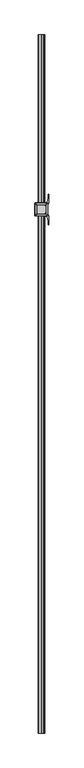
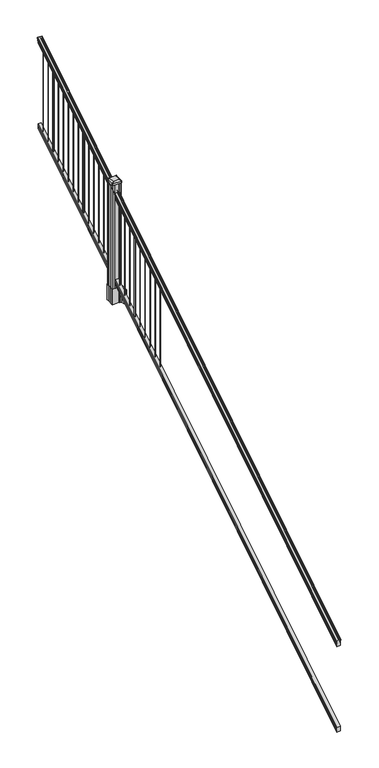
"""IFC4 building model written with IfcOpenShell, lengths in millimetres: railing geometry."""

from ifc_helpers import new_model, si_unit, point, frame, frame_2d, origin, place, context, project, spatial, polyline, circle_curve, ellipse_curve, trimmed, segment, composite_curve, outline, extrude, faceted_brep, source, transform, mapped, element, save
from ifc_brep_helpers import plane_surface, cylinder_surface, revolved_surface, extruded_surface, advanced_brep


def railing_202ae89b(model_context):
    return source(origin(), model_context, "Body", "SolidModel", [
        advanced_brep(
        [(5923.032944, -87458.4628453, 1133.2070492), (5925.6067728, -87458.4628453, 1133.2070492), (5925.6067728, -87458.4628453, 1120.6394336), (5924.5907728, -87458.4628453, 1119.441318), (5924.5907728, -87458.4628453, 1104.9), (5956.3407728, -87458.4628453, 1104.9), (5956.3407728, -87458.4628453, 1119.6274214), (5955.3247728, -87458.4628453, 1120.825537), (5955.3247728, -87458.4628453, 1133.2070492), (5957.8986015, -87458.4628453, 1133.2070492), (5957.8986015, -87458.4628453, 1135.4335658), (5959.0287878, -87458.4628453, 1137.2758543), (5959.0287878, -87458.4628453, 1145.7876358), (5958.3795314, -87458.4628453, 1148.6572588), (5960.8795314, -87458.4628453, 1153.7635509), (5962.2888739, -87458.4628453, 1155.7442021), (5962.6907729, -87458.4628453, 1157.0469579), (5962.6907728, -87458.4628453, 1158.6274846), (5961.1373255, -87458.4628453, 1160.4593836), (5940.4657728, -87458.4628453, 1160.4593836), (5919.79422, -87458.4628453, 1160.4593836), (5918.2407728, -87458.4628453, 1158.6274846), (5918.2407728, -87458.4628453, 1157.0469579), (5918.6426717, -87458.4628453, 1155.7442021), (5920.0520141, -87458.4628453, 1153.7635509), (5922.5520141, -87458.4628453, 1148.6572588), (5921.9027577, -87458.4628453, 1145.7876358), (5921.9027577, -87458.4628453, 1137.2758543), (5923.032944, -87458.4628453, 1135.4335658), (5923.032944, -82581.6628453, 4181.2070492), (5923.032944, -82581.6628453, 4183.4335658), (5921.9027577, -82581.6628453, 4185.2758543), (5921.9027577, -82581.6628453, 4193.7876358), (5922.5520141, -82581.6628453, 4196.6572588), (5920.0520141, -82581.6628453, 4201.7635509), (5918.6426717, -82581.6628453, 4203.7442021), (5918.2407727, -82581.6628453, 4205.0469579), (5918.2407728, -82581.6628453, 4206.6274846), (5919.79422, -82581.6628453, 4208.4593836), (5940.4657728, -82581.6628453, 4208.4593836), (5961.1373255, -82581.6628453, 4208.4593836), (5962.6907728, -82581.6628453, 4206.6274846), (5962.6907728, -82581.6628453, 4205.0469579), (5962.2888739, -82581.6628453, 4203.7442021), (5960.8795314, -82581.6628453, 4201.7635509), (5958.3795314, -82581.6628453, 4196.6572588), (5959.0287878, -82581.6628453, 4193.7876358), (5959.0287878, -82581.6628453, 4185.2758543), (5957.8986015, -82581.6628453, 4183.4335658), (5957.8986015, -82581.6628453, 4181.2070492), (5955.3247728, -82581.6628453, 4181.2070492), (5955.3247728, -82581.6628453, 4168.825537), (5956.3407728, -82581.6628453, 4167.6274214), (5956.3407728, -82581.6628453, 4152.9), (5924.5907728, -82581.6628453, 4152.9), (5924.5907728, -82581.6628453, 4167.441318), (5925.6067728, -82581.6628453, 4168.6394336), (5925.6067728, -82581.6628453, 4181.2070492)],
        [
            (0, 1, ellipse_curve(frame((5924.3198584, -87458.4628453, 1133.2070492), z_axis=(0.0, -1.0, 0.0), x_axis=(0.0, 0.0, -1.0)), 1.5175907, 1.2869144)),
            (1, 2),
            (2, 3),
            (3, 4),
            (4, 5),
            (5, 6),
            (6, 7),
            (7, 8),
            (8, 9, ellipse_curve(frame((5956.6116871, -87458.4628453, 1133.2070492), z_axis=(0.0, -1.0, 0.0), x_axis=(0.0, 0.0, -1.0)), 1.5175907, 1.2869144)),
            (9, 10),
            (10, 11, ellipse_curve(frame((5951.5838482, -87458.4628453, 1142.2239405), z_axis=(0.0, -1.0, 0.0), x_axis=(0.0, 0.0, -1.0)), 10.0777926, 8.545951)),
            (11, 12, ellipse_curve(frame((5952.0209112, -87458.4628453, 1141.5317451), z_axis=(0.0, -1.0, 0.0), x_axis=(0.0, 0.0, -1.0)), 9.2955186, 7.882584)),
            (12, 13, ellipse_curve(frame((5962.5342353, -87458.4628453, 1148.4275077), z_axis=(0.0, 1.0, 0.0), x_axis=(0.0, 0.0, 1.0)), 4.9048088, 4.1592695)),
            (13, 14, ellipse_curve(frame((5963.8215419, -87458.4628453, 1148.3563208), z_axis=(0.0, 1.0, 0.0), x_axis=(0.0, 0.0, 1.0)), 6.4245301, 5.4479907)),
            (14, 15, ellipse_curve(frame((5962.5883834, -87458.4628453, 1153.7602333), z_axis=(0.0, 1.0, 0.0), x_axis=(0.0, 0.0, 1.0)), 2.0151625, 1.7088543)),
            (15, 16, ellipse_curve(frame((5960.9714833, -87458.4628453, 1157.0469579), z_axis=(0.0, -1.0, 0.0), x_axis=(0.0, 0.0, -1.0)), 2.0274681, 1.7192895)),
            (16, 17),
            (17, 18, ellipse_curve(frame((5961.1373255, -87458.4628453, 1158.6274846), z_axis=(0.0, -1.0, 0.0), x_axis=(0.0, 0.0, -1.0)), 1.831899, 1.5534472)),
            (18, 19),
            (19, 20),
            (20, 21, ellipse_curve(frame((5919.79422, -87458.4628453, 1158.6274846), z_axis=(0.0, -1.0, 0.0), x_axis=(0.0, 0.0, -1.0)), 1.831899, 1.5534472)),
            (21, 22),
            (22, 23, ellipse_curve(frame((5919.9600622, -87458.4628453, 1157.0469579), z_axis=(0.0, -1.0, 0.0), x_axis=(0.0, 0.0, -1.0)), 2.0274681, 1.7192895)),
            (23, 24, ellipse_curve(frame((5918.3431621, -87458.4628453, 1153.7602333), z_axis=(0.0, 1.0, 0.0), x_axis=(0.0, 0.0, 1.0)), 2.0151625, 1.7088543)),
            (24, 25, ellipse_curve(frame((5917.1100037, -87458.4628453, 1148.3563208), z_axis=(0.0, 1.0, 0.0), x_axis=(0.0, 0.0, 1.0)), 6.4245301, 5.4479907)),
            (25, 26, ellipse_curve(frame((5918.3973102, -87458.4628453, 1148.4275077), z_axis=(0.0, 1.0, 0.0), x_axis=(0.0, 0.0, 1.0)), 4.9048088, 4.1592695)),
            (26, 27, ellipse_curve(frame((5928.9106343, -87458.4628453, 1141.5317451), z_axis=(0.0, -1.0, 0.0), x_axis=(0.0, 0.0, -1.0)), 9.2955186, 7.882584)),
            (27, 28, ellipse_curve(frame((5929.3476973, -87458.4628453, 1142.2239405), z_axis=(0.0, -1.0, 0.0), x_axis=(0.0, 0.0, -1.0)), 10.0777926, 8.545951)),
            (28, 0),
            (29, 30),
            (30, 31, ellipse_curve(frame((5929.3476973, -82581.6628453, 4190.2239405), z_axis=(0.0, 1.0, 0.0), x_axis=(0.0, 0.0, -1.0)), 10.0777926, 8.545951)),
            (31, 32, ellipse_curve(frame((5928.9106343, -82581.6628453, 4189.5317451), z_axis=(0.0, 1.0, 0.0), x_axis=(0.0, 0.0, -1.0)), 9.2955186, 7.882584)),
            (32, 33, ellipse_curve(frame((5918.3973102, -82581.6628453, 4196.4275077), z_axis=(0.0, -1.0, 0.0), x_axis=(0.0, 0.0, 1.0)), 4.9048088, 4.1592695)),
            (33, 34, ellipse_curve(frame((5917.1100037, -82581.6628453, 4196.3563208), z_axis=(0.0, -1.0, 0.0), x_axis=(0.0, 0.0, 1.0)), 6.4245301, 5.4479907)),
            (34, 35, ellipse_curve(frame((5918.3431621, -82581.6628453, 4201.7602333), z_axis=(0.0, -1.0, 0.0), x_axis=(0.0, 0.0, 1.0)), 2.0151625, 1.7088543)),
            (35, 36, ellipse_curve(frame((5919.9600622, -82581.6628453, 4205.0469579), z_axis=(0.0, 1.0, 0.0), x_axis=(0.0, 0.0, -1.0)), 2.0274681, 1.7192895)),
            (36, 37),
            (37, 38, ellipse_curve(frame((5919.79422, -82581.6628453, 4206.6274846), z_axis=(0.0, 1.0, 0.0), x_axis=(0.0, 0.0, -1.0)), 1.831899, 1.5534472)),
            (38, 39),
            (39, 40),
            (40, 41, ellipse_curve(frame((5961.1373255, -82581.6628453, 4206.6274846), z_axis=(0.0, 1.0, 0.0), x_axis=(0.0, 0.0, -1.0)), 1.831899, 1.5534472)),
            (41, 42),
            (42, 43, ellipse_curve(frame((5960.9714833, -82581.6628453, 4205.0469579), z_axis=(0.0, 1.0, 0.0), x_axis=(0.0, 0.0, -1.0)), 2.0274681, 1.7192895)),
            (43, 44, ellipse_curve(frame((5962.5883834, -82581.6628453, 4201.7602333), z_axis=(0.0, -1.0, 0.0), x_axis=(0.0, 0.0, 1.0)), 2.0151625, 1.7088543)),
            (44, 45, ellipse_curve(frame((5963.8215419, -82581.6628453, 4196.3563208), z_axis=(0.0, -1.0, 0.0), x_axis=(0.0, 0.0, 1.0)), 6.4245301, 5.4479907)),
            (45, 46, ellipse_curve(frame((5962.5342353, -82581.6628453, 4196.4275077), z_axis=(0.0, -1.0, 0.0), x_axis=(0.0, 0.0, 1.0)), 4.9048088, 4.1592695)),
            (46, 47, ellipse_curve(frame((5952.0209112, -82581.6628453, 4189.5317451), z_axis=(0.0, 1.0, 0.0), x_axis=(0.0, 0.0, -1.0)), 9.2955186, 7.882584)),
            (47, 48, ellipse_curve(frame((5951.5838482, -82581.6628453, 4190.2239405), z_axis=(0.0, 1.0, 0.0), x_axis=(0.0, 0.0, -1.0)), 10.0777926, 8.545951)),
            (48, 49),
            (49, 50, ellipse_curve(frame((5956.6116871, -82581.6628453, 4181.2070492), z_axis=(0.0, 1.0, 0.0), x_axis=(0.0, 0.0, -1.0)), 1.5175907, 1.2869144)),
            (50, 51),
            (51, 52),
            (52, 53),
            (53, 54),
            (54, 55),
            (55, 56),
            (56, 57),
            (57, 29, ellipse_curve(frame((5924.3198584, -82581.6628453, 4181.2070492), z_axis=(0.0, 1.0, 0.0), x_axis=(0.0, 0.0, -1.0)), 1.5175907, 1.2869144)),
            (28, 30),
            (29, 0),
            (27, 31),
            (26, 32),
            (25, 33),
            (24, 34),
            (23, 35),
            (22, 36),
            (21, 37),
            (20, 38),
            (19, 39),
            (18, 40),
            (17, 41),
            (16, 42),
            (15, 43),
            (14, 44),
            (13, 45),
            (12, 46),
            (11, 47),
            (10, 48),
            (9, 49),
            (8, 50),
            (7, 51),
            (6, 52),
            (5, 53),
            (4, 54),
            (3, 55),
            (2, 56),
            (1, 57),
        ],
        [
            plane_surface(frame((5940.4657728, -87458.4628453, 1104.9), z_axis=(0.0, -1.0, 0.0), x_axis=(0.0, 0.0, 1.0))),
            plane_surface(frame((5940.4657728, -82581.6628453, 4152.9), z_axis=(0.0, 1.0, 0.0), x_axis=(0.0, 0.0, 1.0))),
            plane_surface(frame((5923.032944, -87458.4628453, 1135.4335658), z_axis=(-1.0, 0.0, 0.0), x_axis=(0.0, 0.8479983040051252, 0.5299989400031204))),
            cylinder_surface(frame((5929.3476973, -87475.23765, 1131.7396876), z_axis=(0.0, -0.8479983040051253, -0.5299989400031204), x_axis=(1.0, 0.0, 0.0)), 8.545951),
            cylinder_surface(frame((5928.9106343, -87474.9265509, 1131.241929), z_axis=(0.0, -0.8479983040051253, -0.5299989400031204), x_axis=(1.0, 0.0, 0.0)), 7.882584),
            revolved_surface(polyline([(5922.5565797, -82579.45843685034, 4197.805262980552), (5922.5565797, -87460.66725374945, 1147.0497524190953)]), (5918.3973102, -87478.0257701, 1136.2006797), (0.0, 0.8479983040051253, 0.5299989400031204)),
            revolved_surface(polyline([(5922.5579944, -82578.77541603574, 4198.160964077185), (5922.5579944, -87461.35027455281, 1146.551677504493)]), (5917.1100037, -87477.993776, 1136.1494891), (0.0, 0.8479983040051253, 0.5299989400031204)),
            revolved_surface(polyline([(5920.0520164, -82580.75715429979, 4202.326290199658), (5920.0520164, -87459.36853632248, 1153.1941764359544)]), (5918.3431621, -87480.4225007, 1140.0354487), (0.0, 0.8479983040051253, 0.5299989400031204)),
            cylinder_surface(frame((5919.9600622, -87481.8996803, 1142.398936), z_axis=(0.0, -0.8479983040051253, -0.5299989400031204), x_axis=(1.0, 0.0, 0.0)), 1.7192895),
            plane_surface(frame((5918.2407728, -87458.4628453, 1158.6274846), z_axis=(-1.0, 0.0, 0.0), x_axis=(0.0, 0.8479983040051252, 0.5299989400031204))),
            cylinder_surface(frame((5919.79422, -87482.6100294, 1143.5354945), z_axis=(0.0, -0.8479983040051253, -0.5299989400031204), x_axis=(1.0, 0.0, 0.0)), 1.5534472),
            plane_surface(frame((5940.4657728, -87458.4628453, 1160.4593836), z_axis=(0.0, -0.5299989400031204, 0.8479983040051252), x_axis=(0.0, 0.8479983040051252, 0.5299989400031204))),
            plane_surface(frame((5961.1373255, -87458.4628453, 1160.4593836), z_axis=(0.0, -0.5299989400031204, 0.8479983040051252), x_axis=(0.0, 0.8479983040051252, 0.5299989400031204))),
            cylinder_surface(frame((5961.1373255, -87482.6100294, 1143.5354945), z_axis=(0.0, -0.8479983040051253, -0.5299989400031204), x_axis=(-1.0, 0.0, 0.0)), 1.5534472),
            plane_surface(frame((5962.6907728, -87458.4628453, 1157.0469579), z_axis=(1.0, 0.0, 0.0), x_axis=(0.0, 0.8479983040051252, 0.5299989400031204))),
            cylinder_surface(frame((5960.9714833, -87481.8996803, 1142.398936), z_axis=(0.0, -0.8479983040051253, -0.5299989400031204), x_axis=(-1.0, 0.0, 0.0)), 1.7192895),
            revolved_surface(polyline([(5960.8795291, -82580.75715429979, 4202.326290199658), (5960.8795291, -87459.36853632248, 1153.1941764359544)]), (5962.5883834, -87480.4225007, 1140.0354487), (0.0, 0.8479983040051253, 0.5299989400031204)),
            revolved_surface(polyline([(5958.373551199999, -82578.77541603574, 4198.160964077185), (5958.373551199999, -87461.35027455281, 1146.551677504493)]), (5963.8215419, -87477.993776, 1136.1494891), (0.0, 0.8479983040051253, 0.5299989400031204)),
            revolved_surface(polyline([(5958.3749658, -82579.45843685034, 4197.805262980552), (5958.3749658, -87460.66725374945, 1147.0497524190953)]), (5962.5342353, -87478.0257701, 1136.2006797), (0.0, 0.8479983040051253, 0.5299989400031204)),
            cylinder_surface(frame((5952.0209112, -87474.9265509, 1131.241929), z_axis=(0.0, -0.8479983040051253, -0.5299989400031204), x_axis=(-1.0, 0.0, 0.0)), 7.882584),
            cylinder_surface(frame((5951.5838482, -87475.23765, 1131.7396876), z_axis=(0.0, -0.8479983040051253, -0.5299989400031204), x_axis=(-1.0, 0.0, 0.0)), 8.545951),
            plane_surface(frame((5957.8986015, -87458.4628453, 1133.2070492), z_axis=(1.0, 0.0, 0.0), x_axis=(0.0, 0.8479983040051252, 0.5299989400031204))),
            cylinder_surface(frame((5956.6116871, -87471.1851146, 1125.2556309), z_axis=(0.0, -0.8479983040051253, -0.5299989400031204), x_axis=(-1.0, 0.0, 0.0)), 1.2869144),
            plane_surface(frame((5955.3247728, -87458.4628453, 1120.825537), z_axis=(1.0, 0.0, 0.0), x_axis=(0.0, 0.8479983040051252, 0.5299989400031204))),
            plane_surface(frame((5956.3407728, -87458.4628453, 1119.6274214), z_axis=(0.7071067811865425, -0.37476584449789213, 0.5996253511967194), x_axis=(0.0, 0.8479983040051252, 0.5299989400031204))),
            plane_surface(frame((5956.3407728, -87458.4628453, 1104.9), z_axis=(1.0, 0.0, 0.0), x_axis=(0.0, 0.8479983040051252, 0.5299989400031204))),
            plane_surface(frame((5924.5907728, -87458.4628453, 1104.9), z_axis=(0.0, 0.5299989400031204, -0.8479983040051252), x_axis=(0.0, 0.8479983040051252, 0.5299989400031204))),
            plane_surface(frame((5924.5907728, -87458.4628453, 1119.441318), z_axis=(-1.0000000000000002, 0.0, 0.0), x_axis=(0.0, 0.8479983040051253, 0.5299989400031204))),
            plane_surface(frame((5925.6067728, -87458.4628453, 1120.6394336), z_axis=(-0.7071067811865401, -0.3747658444978918, 0.5996253511967223), x_axis=(0.0, 0.8479983040051253, 0.5299989400031204))),
            plane_surface(frame((5925.6067728, -87458.4628453, 1133.2070492), z_axis=(-1.0, 0.0, 0.0), x_axis=(0.0, 0.8479983040051252, 0.5299989400031204))),
            cylinder_surface(frame((5924.3198584, -87471.1851146, 1125.2556309), z_axis=(0.0, -0.8479983040051253, -0.5299989400031204), x_axis=(1.0, 0.0, 0.0)), 1.2869144),
        ],
        [
            (0, [[1, 2, 3, 4, 5, 6, 7, 8, 9, 10, 11, 12, 13, 14, 15, 16, 17, 18, 19, 20, 21, 22, 23, 24, 25, 26, 27, 28, 29]]),
            (1, [[30, 31, 32, 33, 34, 35, 36, 37, 38, 39, 40, 41, 42, 43, 44, 45, 46, 47, 48, 49, 50, 51, 52, 53, 54, 55, 56, 57, 58]]),
            (2, [[-29, 59, -30, 60]]),
            (3, [[-28, 61, -31, -59]]),
            (4, [[-27, 62, -32, -61]]),
            (5, [[-26, 63, -33, -62]]),
            (6, [[-25, 64, -34, -63]]),
            (7, [[-24, 65, -35, -64]]),
            (8, [[-23, 66, -36, -65]]),
            (9, [[-22, 67, -37, -66]]),
            (10, [[-21, 68, -38, -67]]),
            (11, [[-20, 69, -39, -68]]),
            (12, [[-19, 70, -40, -69]]),
            (13, [[-18, 71, -41, -70]]),
            (14, [[-17, 72, -42, -71]]),
            (15, [[-16, 73, -43, -72]]),
            (16, [[-15, 74, -44, -73]]),
            (17, [[-14, 75, -45, -74]]),
            (18, [[-13, 76, -46, -75]]),
            (19, [[-12, 77, -47, -76]]),
            (20, [[-11, 78, -48, -77]]),
            (21, [[-10, 79, -49, -78]]),
            (22, [[-9, 80, -50, -79]]),
            (23, [[-8, 81, -51, -80]]),
            (24, [[-7, 82, -52, -81]]),
            (25, [[-6, 83, -53, -82]]),
            (26, [[-5, 84, -54, -83]]),
            (27, [[-4, 85, -55, -84]]),
            (28, [[-3, 86, -56, -85]]),
            (29, [[-2, 87, -57, -86]]),
            (30, [[-1, -60, -58, -87]]),
        ],
    ),
        faceted_brep([(5924.5532859, -87458.4628453, 268.8045079), (5924.5532859, -87458.4628453, 254.0), (5956.3032859, -87458.4628453, 254.0), (5956.3032859, -87458.4628453, 268.7848772), (5955.2872859, -87458.4628453, 270.3748303), (5955.2872859, -87458.4628453, 282.5348741), (5956.3032859, -87458.4628453, 284.1248272), (5956.3032859, -87458.4628453, 298.9244744), (5924.5532859, -87458.4628453, 298.9244744), (5924.5532859, -87458.4628453, 284.1444579), (5925.5692859, -87458.4628453, 282.5545048), (5925.5692859, -87458.4628453, 270.338026), (5924.5532859, -82581.6628453, 3316.8045079), (5925.5692859, -82581.6628453, 3318.338026), (5925.5692859, -82581.6628453, 3330.5545048), (5924.5532859, -82581.6628453, 3332.1444579), (5924.5532859, -82581.6628453, 3346.9244744), (5956.3032859, -82581.6628453, 3346.9244744), (5956.3032859, -82581.6628453, 3332.1248272), (5955.2872859, -82581.6628453, 3330.5348741), (5955.2872859, -82581.6628453, 3318.3748303), (5956.3032859, -82581.6628453, 3316.7848772), (5956.3032859, -82581.6628453, 3302.0), (5924.5532859, -82581.6628453, 3302.0)], [[[0, 1, 2, 3, 4, 5, 6, 7, 8, 9, 10, 11]], [[12, 13, 14, 15, 16, 17, 18, 19, 20, 21, 22, 23]], [[0, 11, 13, 12]], [[11, 10, 14, 13]], [[10, 9, 15, 14]], [[9, 8, 16, 15]], [[8, 7, 17, 16]], [[7, 6, 18, 17]], [[6, 5, 19, 18]], [[5, 4, 20, 19]], [[4, 3, 21, 20]], [[3, 2, 22, 21]], [[2, 1, 23, 22]], [[1, 0, 12, 23]]]),
        extrude(outline(composite_curve([segment(trimmed(circle_curve(frame_2d((5940.4657728, -82638.8128453)), 1.5875), [point((5938.8782728, -82638.8128453))], [point((5940.4657728, -82637.2253453))], False, "CARTESIAN"), True, "CONTINUOUS"), segment(trimmed(circle_curve(frame_2d((5940.4657728, -82638.8128453)), 1.5875), [point((5940.4657728, -82637.2253453))], [point((5942.0532728, -82638.8128453))], False, "CARTESIAN"), True, "CONTINUOUS"), segment(trimmed(circle_curve(frame_2d((5940.4657728, -82638.8128453)), 1.5875), [point((5942.0532728, -82638.8128453))], [point((5940.4657728, -82640.4003453))], False, "CARTESIAN"), True, "CONTINUOUS"), segment(trimmed(circle_curve(frame_2d((5940.4657728, -82638.8128453)), 1.5875), [point((5940.4657728, -82640.4003453))], [point((5938.8782728, -82638.8128453))], False, "CARTESIAN"), True, "CONTINUOUS")], self_intersect=False)), frame((0.0, 0.0, 3304.3771281), z_axis=(0.0, 0.0, 1.0), x_axis=(1.0, 0.0, 0.0)), (0.0, 0.0, 1.0), 812.8041219),
        extrude(outline(composite_curve([segment(trimmed(circle_curve(frame_2d((5940.4657728, -82721.3628453)), 1.5875), [point((5938.8782728, -82721.3628453))], [point((5940.4657728, -82719.7753453))], False, "CARTESIAN"), True, "CONTINUOUS"), segment(trimmed(circle_curve(frame_2d((5940.4657728, -82721.3628453)), 1.5875), [point((5940.4657728, -82719.7753453))], [point((5942.0532728, -82721.3628453))], False, "CARTESIAN"), True, "CONTINUOUS"), segment(trimmed(circle_curve(frame_2d((5940.4657728, -82721.3628453)), 1.5875), [point((5942.0532728, -82721.3628453))], [point((5940.4657728, -82722.9503453))], False, "CARTESIAN"), True, "CONTINUOUS"), segment(trimmed(circle_curve(frame_2d((5940.4657728, -82721.3628453)), 1.5875), [point((5940.4657728, -82722.9503453))], [point((5938.8782728, -82721.3628453))], False, "CARTESIAN"), True, "CONTINUOUS")], self_intersect=False)), frame((0.0, 0.0, 3252.7833781), z_axis=(0.0, 0.0, 1.0), x_axis=(1.0, 0.0, 0.0)), (0.0, 0.0, 1.0), 812.8041219),
        extrude(outline(composite_curve([segment(trimmed(circle_curve(frame_2d((5940.4657728, -82803.9128453)), 6.35), [point((5934.1157728, -82803.9128453))], [point((5940.4657728, -82797.5628453))], False, "CARTESIAN"), True, "CONTINUOUS"), segment(trimmed(circle_curve(frame_2d((5940.4657728, -82803.9128453)), 6.35), [point((5940.4657728, -82797.5628453))], [point((5946.8157728, -82803.9128453))], False, "CARTESIAN"), True, "CONTINUOUS"), segment(trimmed(circle_curve(frame_2d((5940.4657728, -82803.9128453)), 6.35), [point((5946.8157728, -82803.9128453))], [point((5940.4657728, -82810.2628453))], False, "CARTESIAN"), True, "CONTINUOUS"), segment(trimmed(circle_curve(frame_2d((5940.4657728, -82803.9128453)), 6.35), [point((5940.4657728, -82810.2628453))], [point((5934.1157728, -82803.9128453))], False, "CARTESIAN"), True, "CONTINUOUS")], self_intersect=False)), frame((0.0, 0.0, 3201.1896281), z_axis=(0.0, 0.0, 1.0), x_axis=(1.0, 0.0, 0.0)), (0.0, 0.0, 1.0), 812.8041219),
        extrude(outline(composite_curve([segment(trimmed(circle_curve(frame_2d((5940.4657728, -82886.4628453)), 1.5875), [point((5938.8782728, -82886.4628453))], [point((5940.4657728, -82884.8753453))], False, "CARTESIAN"), True, "CONTINUOUS"), segment(trimmed(circle_curve(frame_2d((5940.4657728, -82886.4628453)), 1.5875), [point((5940.4657728, -82884.8753453))], [point((5942.0532728, -82886.4628453))], False, "CARTESIAN"), True, "CONTINUOUS"), segment(trimmed(circle_curve(frame_2d((5940.4657728, -82886.4628453)), 1.5875), [point((5942.0532728, -82886.4628453))], [point((5940.4657728, -82888.0503453))], False, "CARTESIAN"), True, "CONTINUOUS"), segment(trimmed(circle_curve(frame_2d((5940.4657728, -82886.4628453)), 1.5875), [point((5940.4657728, -82888.0503453))], [point((5938.8782728, -82886.4628453))], False, "CARTESIAN"), True, "CONTINUOUS")], self_intersect=False)), frame((0.0, 0.0, 3149.5958781), z_axis=(0.0, 0.0, 1.0), x_axis=(1.0, 0.0, 0.0)), (0.0, 0.0, 1.0), 812.8041219),
        extrude(outline(composite_curve([segment(trimmed(circle_curve(frame_2d((5940.4657728, -82969.0128453)), 1.5875), [point((5938.8782728, -82969.0128453))], [point((5940.4657728, -82967.4253453))], False, "CARTESIAN"), True, "CONTINUOUS"), segment(trimmed(circle_curve(frame_2d((5940.4657728, -82969.0128453)), 1.5875), [point((5940.4657728, -82967.4253453))], [point((5942.0532728, -82969.0128453))], False, "CARTESIAN"), True, "CONTINUOUS"), segment(trimmed(circle_curve(frame_2d((5940.4657728, -82969.0128453)), 1.5875), [point((5942.0532728, -82969.0128453))], [point((5940.4657728, -82970.6003453))], False, "CARTESIAN"), True, "CONTINUOUS"), segment(trimmed(circle_curve(frame_2d((5940.4657728, -82969.0128453)), 1.5875), [point((5940.4657728, -82970.6003453))], [point((5938.8782728, -82969.0128453))], False, "CARTESIAN"), True, "CONTINUOUS")], self_intersect=False)), frame((0.0, 0.0, 3098.0021281), z_axis=(0.0, 0.0, 1.0), x_axis=(1.0, 0.0, 0.0)), (0.0, 0.0, 1.0), 812.8041219),
        extrude(outline(composite_curve([segment(trimmed(circle_curve(frame_2d((5940.4657728, -83051.5628453)), 1.5875), [point((5938.8782728, -83051.5628453))], [point((5940.4657728, -83049.9753453))], False, "CARTESIAN"), True, "CONTINUOUS"), segment(trimmed(circle_curve(frame_2d((5940.4657728, -83051.5628453)), 1.5875), [point((5940.4657728, -83049.9753453))], [point((5942.0532728, -83051.5628453))], False, "CARTESIAN"), True, "CONTINUOUS"), segment(trimmed(circle_curve(frame_2d((5940.4657728, -83051.5628453)), 1.5875), [point((5942.0532728, -83051.5628453))], [point((5940.4657728, -83053.1503453))], False, "CARTESIAN"), True, "CONTINUOUS"), segment(trimmed(circle_curve(frame_2d((5940.4657728, -83051.5628453)), 1.5875), [point((5940.4657728, -83053.1503453))], [point((5938.8782728, -83051.5628453))], False, "CARTESIAN"), True, "CONTINUOUS")], self_intersect=False)), frame((0.0, 0.0, 3046.4083781), z_axis=(0.0, 0.0, 1.0), x_axis=(1.0, 0.0, 0.0)), (0.0, 0.0, 1.0), 812.8041219),
        extrude(outline(composite_curve([segment(trimmed(circle_curve(frame_2d((5940.4657728, -83134.1128453)), 1.5875), [point((5938.8782728, -83134.1128453))], [point((5940.4657728, -83132.5253453))], False, "CARTESIAN"), True, "CONTINUOUS"), segment(trimmed(circle_curve(frame_2d((5940.4657728, -83134.1128453)), 1.5875), [point((5940.4657728, -83132.5253453))], [point((5942.0532728, -83134.1128453))], False, "CARTESIAN"), True, "CONTINUOUS"), segment(trimmed(circle_curve(frame_2d((5940.4657728, -83134.1128453)), 1.5875), [point((5942.0532728, -83134.1128453))], [point((5940.4657728, -83135.7003453))], False, "CARTESIAN"), True, "CONTINUOUS"), segment(trimmed(circle_curve(frame_2d((5940.4657728, -83134.1128453)), 1.5875), [point((5940.4657728, -83135.7003453))], [point((5938.8782728, -83134.1128453))], False, "CARTESIAN"), True, "CONTINUOUS")], self_intersect=False)), frame((0.0, 0.0, 2994.8146281), z_axis=(0.0, 0.0, 1.0), x_axis=(1.0, 0.0, 0.0)), (0.0, 0.0, 1.0), 812.8041219),
        extrude(outline(composite_curve([segment(trimmed(circle_curve(frame_2d((5940.4657728, -83216.6628453)), 1.5875), [point((5938.8782728, -83216.6628453))], [point((5940.4657728, -83215.0753453))], False, "CARTESIAN"), True, "CONTINUOUS"), segment(trimmed(circle_curve(frame_2d((5940.4657728, -83216.6628453)), 1.5875), [point((5940.4657728, -83215.0753453))], [point((5942.0532728, -83216.6628453))], False, "CARTESIAN"), True, "CONTINUOUS"), segment(trimmed(circle_curve(frame_2d((5940.4657728, -83216.6628453)), 1.5875), [point((5942.0532728, -83216.6628453))], [point((5940.4657728, -83218.2503453))], False, "CARTESIAN"), True, "CONTINUOUS"), segment(trimmed(circle_curve(frame_2d((5940.4657728, -83216.6628453)), 1.5875), [point((5940.4657728, -83218.2503453))], [point((5938.8782728, -83216.6628453))], False, "CARTESIAN"), True, "CONTINUOUS")], self_intersect=False)), frame((0.0, 0.0, 2943.2208781), z_axis=(0.0, 0.0, 1.0), x_axis=(1.0, 0.0, 0.0)), (0.0, 0.0, 1.0), 812.8041219),
        extrude(outline(composite_curve([segment(trimmed(circle_curve(frame_2d((5940.4657728, -83299.2128453)), 6.35), [point((5934.1157728, -83299.2128453))], [point((5940.4657728, -83292.8628453))], False, "CARTESIAN"), True, "CONTINUOUS"), segment(trimmed(circle_curve(frame_2d((5940.4657728, -83299.2128453)), 6.35), [point((5940.4657728, -83292.8628453))], [point((5946.8157728, -83299.2128453))], False, "CARTESIAN"), True, "CONTINUOUS"), segment(trimmed(circle_curve(frame_2d((5940.4657728, -83299.2128453)), 6.35), [point((5946.8157728, -83299.2128453))], [point((5940.4657728, -83305.5628453))], False, "CARTESIAN"), True, "CONTINUOUS"), segment(trimmed(circle_curve(frame_2d((5940.4657728, -83299.2128453)), 6.35), [point((5940.4657728, -83305.5628453))], [point((5934.1157728, -83299.2128453))], False, "CARTESIAN"), True, "CONTINUOUS")], self_intersect=False)), frame((0.0, 0.0, 2891.6271281), z_axis=(0.0, 0.0, 1.0), x_axis=(1.0, 0.0, 0.0)), (0.0, 0.0, 1.0), 812.8041219),
        extrude(outline(composite_curve([segment(trimmed(circle_curve(frame_2d((5940.4657728, -83381.7628453)), 1.5875), [point((5938.8782728, -83381.7628453))], [point((5940.4657728, -83380.1753453))], False, "CARTESIAN"), True, "CONTINUOUS"), segment(trimmed(circle_curve(frame_2d((5940.4657728, -83381.7628453)), 1.5875), [point((5940.4657728, -83380.1753453))], [point((5942.0532728, -83381.7628453))], False, "CARTESIAN"), True, "CONTINUOUS"), segment(trimmed(circle_curve(frame_2d((5940.4657728, -83381.7628453)), 1.5875), [point((5942.0532728, -83381.7628453))], [point((5940.4657728, -83383.3503453))], False, "CARTESIAN"), True, "CONTINUOUS"), segment(trimmed(circle_curve(frame_2d((5940.4657728, -83381.7628453)), 1.5875), [point((5940.4657728, -83383.3503453))], [point((5938.8782728, -83381.7628453))], False, "CARTESIAN"), True, "CONTINUOUS")], self_intersect=False)), frame((0.0, 0.0, 2840.0333781), z_axis=(0.0, 0.0, 1.0), x_axis=(1.0, 0.0, 0.0)), (0.0, 0.0, 1.0), 812.8041219),
        extrude(outline(composite_curve([segment(trimmed(circle_curve(frame_2d((5940.4657728, -83464.3128453)), 1.5875), [point((5938.8782728, -83464.3128453))], [point((5940.4657728, -83462.7253453))], False, "CARTESIAN"), True, "CONTINUOUS"), segment(trimmed(circle_curve(frame_2d((5940.4657728, -83464.3128453)), 1.5875), [point((5940.4657728, -83462.7253453))], [point((5942.0532728, -83464.3128453))], False, "CARTESIAN"), True, "CONTINUOUS"), segment(trimmed(circle_curve(frame_2d((5940.4657728, -83464.3128453)), 1.5875), [point((5942.0532728, -83464.3128453))], [point((5940.4657728, -83465.9003453))], False, "CARTESIAN"), True, "CONTINUOUS"), segment(trimmed(circle_curve(frame_2d((5940.4657728, -83464.3128453)), 1.5875), [point((5940.4657728, -83465.9003453))], [point((5938.8782728, -83464.3128453))], False, "CARTESIAN"), True, "CONTINUOUS")], self_intersect=False)), frame((0.0, 0.0, 2788.4396281), z_axis=(0.0, 0.0, 1.0), x_axis=(1.0, 0.0, 0.0)), (0.0, 0.0, 1.0), 812.8041219),
        extrude(outline(composite_curve([segment(trimmed(circle_curve(frame_2d((5940.4657728, -83546.8628453)), 1.5875), [point((5938.8782728, -83546.8628453))], [point((5940.4657728, -83545.2753453))], False, "CARTESIAN"), True, "CONTINUOUS"), segment(trimmed(circle_curve(frame_2d((5940.4657728, -83546.8628453)), 1.5875), [point((5940.4657728, -83545.2753453))], [point((5942.0532728, -83546.8628453))], False, "CARTESIAN"), True, "CONTINUOUS"), segment(trimmed(circle_curve(frame_2d((5940.4657728, -83546.8628453)), 1.5875), [point((5942.0532728, -83546.8628453))], [point((5940.4657728, -83548.4503453))], False, "CARTESIAN"), True, "CONTINUOUS"), segment(trimmed(circle_curve(frame_2d((5940.4657728, -83546.8628453)), 1.5875), [point((5940.4657728, -83548.4503453))], [point((5938.8782728, -83546.8628453))], False, "CARTESIAN"), True, "CONTINUOUS")], self_intersect=False)), frame((0.0, 0.0, 2736.8458781), z_axis=(0.0, 0.0, 1.0), x_axis=(1.0, 0.0, 0.0)), (0.0, 0.0, 1.0), 812.8041219),
        extrude(outline(composite_curve([segment(trimmed(circle_curve(frame_2d((5940.4657728, -83629.4128453)), 1.5875), [point((5938.8782728, -83629.4128453))], [point((5940.4657728, -83627.8253453))], False, "CARTESIAN"), True, "CONTINUOUS"), segment(trimmed(circle_curve(frame_2d((5940.4657728, -83629.4128453)), 1.5875), [point((5940.4657728, -83627.8253453))], [point((5942.0532728, -83629.4128453))], False, "CARTESIAN"), True, "CONTINUOUS"), segment(trimmed(circle_curve(frame_2d((5940.4657728, -83629.4128453)), 1.5875), [point((5942.0532728, -83629.4128453))], [point((5940.4657728, -83631.0003453))], False, "CARTESIAN"), True, "CONTINUOUS"), segment(trimmed(circle_curve(frame_2d((5940.4657728, -83629.4128453)), 1.5875), [point((5940.4657728, -83631.0003453))], [point((5938.8782728, -83629.4128453))], False, "CARTESIAN"), True, "CONTINUOUS")], self_intersect=False)), frame((0.0, 0.0, 2685.2521281), z_axis=(0.0, 0.0, 1.0), x_axis=(1.0, 0.0, 0.0)), (0.0, 0.0, 1.0), 812.8041219),
        extrude(outline(composite_curve([segment(trimmed(circle_curve(frame_2d((5940.4657728, -83711.9628453)), 1.5875), [point((5938.8782728, -83711.9628453))], [point((5940.4657728, -83710.3753453))], False, "CARTESIAN"), True, "CONTINUOUS"), segment(trimmed(circle_curve(frame_2d((5940.4657728, -83711.9628453)), 1.5875), [point((5940.4657728, -83710.3753453))], [point((5942.0532728, -83711.9628453))], False, "CARTESIAN"), True, "CONTINUOUS"), segment(trimmed(circle_curve(frame_2d((5940.4657728, -83711.9628453)), 1.5875), [point((5942.0532728, -83711.9628453))], [point((5940.4657728, -83713.5503453))], False, "CARTESIAN"), True, "CONTINUOUS"), segment(trimmed(circle_curve(frame_2d((5940.4657728, -83711.9628453)), 1.5875), [point((5940.4657728, -83713.5503453))], [point((5938.8782728, -83711.9628453))], False, "CARTESIAN"), True, "CONTINUOUS")], self_intersect=False)), frame((0.0, 0.0, 2633.6583781), z_axis=(0.0, 0.0, 1.0), x_axis=(1.0, 0.0, 0.0)), (0.0, 0.0, 1.0), 812.8041219),
        extrude(outline(composite_curve([segment(polyline([(5897.7302728, -83818.2489401), (5897.7302728, -83783.4767504), (5896.1427728, -83782.7147504), (5896.1427728, -83759.9128224), (5899.5157498, -83756.5398453), (5960.9754206, -83756.5398453), (5960.9754206, -83755.6190953), (5966.2929645, -83755.6190953), (5966.2929645, -83754.1648406), (5971.3774942, -83754.1648406), (5971.3774942, -83752.8808168), (5973.0447665, -83752.8808168)]), True, "CONTINUOUS"), segment(trimmed(circle_curve(frame_2d((5973.0447665, -83745.8213569)), 7.0594599), [point((5973.0447665, -83752.8808168))], [point((5979.8120293, -83747.8313636))], True, "CARTESIAN"), True, "CONTINUOUS"), segment(polyline([(5979.8120293, -83747.8313636), (5987.6862236, -83721.3206345)]), True, "CONTINUOUS"), segment(trimmed(circle_curve(frame_2d((5932.9017103, -83705.0485848)), 57.15), [point((5987.6862236, -83721.3206345))], [point((5990.0517103, -83705.0485848))], True, "CARTESIAN"), True, "CONTINUOUS"), segment(polyline([(5990.0517103, -83705.0485848), (5990.0517103, -83693.0398453), (5993.0517103, -83693.0398453), (5993.0517103, -83758.1273453), (5984.7887728, -83769.4656366), (5984.7887728, -83782.7147504), (5983.2012728, -83783.4767504), (5983.2012728, -83818.2489401), (5984.7887728, -83819.0109401), (5984.7887728, -83832.260054), (5993.0517103, -83843.5983453), (5993.0517103, -83908.6858453), (5990.0517103, -83908.6858453), (5990.0517103, -83896.6771057)]), True, "CONTINUOUS"), segment(trimmed(circle_curve(frame_2d((5932.9017103, -83896.6771057)), 57.15), [point((5990.0517103, -83896.6771057))], [point((5987.6862236, -83880.4050561))], True, "CARTESIAN"), True, "CONTINUOUS"), segment(polyline([(5987.6862236, -83880.4050561), (5979.8120293, -83853.894327)]), True, "CONTINUOUS"), segment(trimmed(circle_curve(frame_2d((5973.0447665, -83855.9043337)), 7.0594599), [point((5979.8120293, -83853.894327))], [point((5973.0447665, -83848.8448738))], True, "CARTESIAN"), True, "CONTINUOUS"), segment(polyline([(5973.0447665, -83848.8448738), (5971.3774942, -83848.8448738), (5971.3774942, -83847.56085), (5966.2929645, -83847.56085), (5966.2929645, -83846.1065953), (5960.9754206, -83846.1065953), (5960.9754206, -83845.1858453), (5899.5157498, -83845.1858453), (5896.1427728, -83841.8128682), (5896.1427728, -83819.0109401), (5897.7302728, -83818.2489401)]), True, "CONTINUOUS")], self_intersect=False), holes=[polyline([(5981.7407728, -83761.1753453), (5980.1532728, -83759.5878453), (5943.2289902, -83759.5878453), (5900.7782728, -83759.5878453), (5899.1907728, -83761.1753453), (5899.1907728, -83840.5503453), (5900.7782728, -83842.1378453), (5943.2289902, -83842.1378453), (5980.1532728, -83842.1378453), (5981.7407728, -83840.5503453), (5981.7407728, -83761.1753453)])]), frame((0.0, 0.0, 2324.1), z_axis=(0.0, 0.0, 1.0), x_axis=(1.0, 0.0, 0.0)), (0.0, 0.0, 1.0), 152.4),
        advanced_brep(
        [(5966.2626478, -83829.8347203, 3536.439263), (5969.4376478, -83826.6597203, 3536.439263), (5969.4376478, -83775.0659703, 3536.439263), (5966.2626478, -83771.8909703, 3536.439263), (5914.6688978, -83771.8909703, 3536.439263), (5911.4938978, -83775.0659703, 3536.439263), (5911.4938978, -83826.6597203, 3536.439263), (5914.6688978, -83829.8347203, 3536.439263), (5982.5345228, -83846.1065953, 3525.136263), (5898.3970228, -83846.1065953, 3525.136263), (5895.2220228, -83842.9315953, 3525.136263), (5895.2220228, -83758.7940953, 3525.136263), (5898.3970228, -83755.6190953, 3525.136263), (5982.5345228, -83755.6190953, 3525.136263), (5985.7095228, -83758.7940953, 3525.136263), (5985.7095228, -83842.9315953, 3525.136263)],
        [
            (0, 1, circle_curve(frame((5966.2626478, -83826.6597203, 3536.439263), z_axis=(0.0, 0.0, 1.0), x_axis=(0.0, 1.0, 0.0)), 3.175)),
            (1, 2),
            (2, 3, circle_curve(frame((5966.2626478, -83775.0659703, 3536.439263), z_axis=(0.0, 0.0, 1.0), x_axis=(0.0, 1.0, 0.0)), 3.175)),
            (3, 4),
            (4, 5, circle_curve(frame((5914.6688978, -83775.0659703, 3536.439263), z_axis=(0.0, 0.0, 1.0), x_axis=(0.0, 1.0, 0.0)), 3.175)),
            (5, 6),
            (6, 7, circle_curve(frame((5914.6688978, -83826.6597203, 3536.439263), z_axis=(0.0, 0.0, 1.0), x_axis=(0.0, 1.0, 0.0)), 3.175)),
            (7, 0),
            (8, 9),
            (9, 10, circle_curve(frame((5898.3970228, -83842.9315953, 3525.136263), z_axis=(0.0, 0.0, -1.0), x_axis=(0.0, 1.0, 0.0)), 3.175)),
            (10, 11),
            (11, 12, circle_curve(frame((5898.3970228, -83758.7940953, 3525.136263), z_axis=(0.0, 0.0, -1.0), x_axis=(0.0, 1.0, 0.0)), 3.175)),
            (12, 13),
            (13, 14, circle_curve(frame((5982.5345228, -83758.7940953, 3525.136263), z_axis=(0.0, 0.0, -1.0), x_axis=(0.0, 1.0, 0.0)), 3.175)),
            (14, 15),
            (15, 8, circle_curve(frame((5982.5345228, -83842.9315953, 3525.136263), z_axis=(0.0, 0.0, -1.0), x_axis=(0.0, 1.0, 0.0)), 3.175)),
            (15, 1),
            (0, 8),
            (14, 2),
            (13, 3),
            (12, 4),
            (11, 5),
            (10, 6),
            (9, 7),
        ],
        [
            plane_surface(frame((5940.4657728, -83800.8628453, 3536.439263), z_axis=(0.0, 0.0, 1.0), x_axis=(1.0, 0.0, 0.0))),
            plane_surface(frame((5940.4657728, -83800.8628453, 3525.136263), z_axis=(0.0, 0.0, -1.0), x_axis=(1.0, 0.0, 0.0))),
            extruded_surface(trimmed(circle_curve(frame((5982.5345228, -83842.9315953, 3525.136263), z_axis=(0.0, 0.0, 1.0), x_axis=(0.0, 1.0, 0.0)), 3.175), [point((5982.5345228, -83846.1065953, 3525.136263))], [point((5985.7095228, -83842.9315953, 3525.136263))], True, "CARTESIAN"), (-16.271874999999454, 16.27187500000582, 11.303000000000338), 25.63797263886966),
            plane_surface(frame((5985.7095228, -83800.8628453, 3525.136263), z_axis=(0.5705009161540778, 0.0, 0.8212969649690408), x_axis=(0.0, 1.0, 0.0))),
            extruded_surface(trimmed(circle_curve(frame((5982.5345228, -83758.7940953, 3525.136263), z_axis=(0.0, 0.0, 1.0), x_axis=(0.0, 1.0, 0.0)), 3.175), [point((5985.7095228, -83758.7940953, 3525.136263))], [point((5982.5345228, -83755.6190953, 3525.136263))], True, "CARTESIAN"), (-16.271874999999454, -16.27187499999127, 11.303000000000338), 25.637972638860422),
            plane_surface(frame((5940.4657728, -83755.6190953, 3525.136263), z_axis=(0.0, 0.5705009161540291, 0.8212969649690747), x_axis=(-1.0, 0.0, 0.0))),
            extruded_surface(trimmed(circle_curve(frame((5898.3970228, -83758.7940953, 3525.136263), z_axis=(0.0, 0.0, 1.0), x_axis=(0.0, 1.0, 0.0)), 3.175), [point((5898.3970228, -83755.6190953, 3525.136263))], [point((5895.2220228, -83758.7940953, 3525.136263))], True, "CARTESIAN"), (16.271875000000364, -16.27187499999127, 11.303000000000338), 25.637972638861),
            plane_surface(frame((5895.2220228, -83800.8628453, 3525.136263), z_axis=(-0.5705009161540142, 0.0, 0.8212969649690851), x_axis=(0.0, -1.0, 0.0))),
            extruded_surface(trimmed(circle_curve(frame((5898.3970228, -83842.9315953, 3525.136263), z_axis=(0.0, 0.0, 1.0), x_axis=(0.0, 1.0, 0.0)), 3.175), [point((5895.2220228, -83842.9315953, 3525.136263))], [point((5898.3970228, -83846.1065953, 3525.136263))], True, "CARTESIAN"), (16.271875000000364, 16.27187500000582, 11.303000000000338), 25.637972638870238),
            plane_surface(frame((5940.4657728, -83846.1065953, 3525.136263), z_axis=(0.0, -0.570500916154034, 0.8212969649690713), x_axis=(1.0, 0.0, 0.0))),
        ],
        [
            (0, [[1, 2, 3, 4, 5, 6, 7, 8]]),
            (1, [[9, 10, 11, 12, 13, 14, 15, 16]]),
            (2, [[-16, 17, -1, 18]]),
            (3, [[-15, 19, -2, -17]]),
            (4, [[-14, 20, -3, -19]]),
            (5, [[-13, 21, -4, -20]]),
            (6, [[-12, 22, -5, -21]]),
            (7, [[-11, 23, -6, -22]]),
            (8, [[-10, 24, -7, -23]]),
            (9, [[-9, -18, -8, -24]]),
        ],
    ),
        extrude(outline(composite_curve([segment(polyline([(5982.5345228, -83846.1065953), (5898.3970228, -83846.1065953)]), True, "CONTINUOUS"), segment(trimmed(circle_curve(frame_2d((5898.3970228, -83842.9315953)), 3.175), [point((5898.3970228, -83846.1065953))], [point((5895.2220228, -83842.9315953))], False, "CARTESIAN"), True, "CONTINUOUS"), segment(polyline([(5895.2220228, -83842.9315953), (5895.2220228, -83758.7940953)]), True, "CONTINUOUS"), segment(trimmed(circle_curve(frame_2d((5898.3970228, -83758.7940953)), 3.175), [point((5895.2220228, -83758.7940953))], [point((5898.3970228, -83755.6190953))], False, "CARTESIAN"), True, "CONTINUOUS"), segment(polyline([(5898.3970228, -83755.6190953), (5982.5345228, -83755.6190953)]), True, "CONTINUOUS"), segment(trimmed(circle_curve(frame_2d((5982.5345228, -83758.7940953)), 3.175), [point((5982.5345228, -83755.6190953))], [point((5985.7095228, -83758.7940953))], False, "CARTESIAN"), True, "CONTINUOUS"), segment(polyline([(5985.7095228, -83758.7940953), (5985.7095228, -83842.9315953)]), True, "CONTINUOUS"), segment(trimmed(circle_curve(frame_2d((5982.5345228, -83842.9315953)), 3.175), [point((5985.7095228, -83842.9315953))], [point((5982.5345228, -83846.1065953))], False, "CARTESIAN"), True, "CONTINUOUS")], self_intersect=False)), frame((0.0, 0.0, 3507.864263), z_axis=(0.0, 0.0, 1.0), x_axis=(1.0, 0.0, 0.0)), (0.0, 0.0, 1.0), 17.272),
        extrude(outline(polyline([(5980.1532728, -83842.1378453), (5960.5317728, -83842.1378453), (5959.7697728, -83840.5503453), (5921.1617728, -83840.5503453), (5920.3997728, -83842.1378453), (5900.7782728, -83842.1378453), (5899.1907728, -83840.5503453), (5899.1907728, -83820.9288453), (5900.7782728, -83820.1668453), (5900.7782728, -83781.5588453), (5899.1907728, -83780.7968453), (5899.1907728, -83761.1753453), (5900.7782728, -83759.5878453), (5920.3997728, -83759.5878453), (5921.1617728, -83761.1753453), (5959.7697728, -83761.1753453), (5960.5317728, -83759.5878453), (5980.1532728, -83759.5878453), (5981.7407728, -83761.1753453), (5981.7407728, -83780.7968453), (5980.1532728, -83781.5588453), (5980.1532728, -83820.1668453), (5981.7407728, -83820.9288453), (5981.7407728, -83840.5503453), (5980.1532728, -83842.1378453)])), frame((0.0, 0.0, 2476.5), z_axis=(0.0, 0.0, 1.0), x_axis=(1.0, 0.0, 0.0)), (0.0, 0.0, 1.0), 1031.364263),
        extrude(outline(composite_curve([segment(trimmed(circle_curve(frame_2d((5940.4657728, -83889.7628453)), 1.5875), [point((5938.8782728, -83889.7628453))], [point((5940.4657728, -83888.1753453))], False, "CARTESIAN"), True, "CONTINUOUS"), segment(trimmed(circle_curve(frame_2d((5940.4657728, -83889.7628453)), 1.5875), [point((5940.4657728, -83888.1753453))], [point((5942.0532728, -83889.7628453))], False, "CARTESIAN"), True, "CONTINUOUS"), segment(trimmed(circle_curve(frame_2d((5940.4657728, -83889.7628453)), 1.5875), [point((5942.0532728, -83889.7628453))], [point((5940.4657728, -83891.3503453))], False, "CARTESIAN"), True, "CONTINUOUS"), segment(trimmed(circle_curve(frame_2d((5940.4657728, -83889.7628453)), 1.5875), [point((5940.4657728, -83891.3503453))], [point((5938.8782728, -83889.7628453))], False, "CARTESIAN"), True, "CONTINUOUS")], self_intersect=False)), frame((0.0, 0.0, 2522.5333781), z_axis=(0.0, 0.0, 1.0), x_axis=(1.0, 0.0, 0.0)), (0.0, 0.0, 1.0), 812.8041219),
        extrude(outline(composite_curve([segment(trimmed(circle_curve(frame_2d((5940.4657728, -83972.3128453)), 1.5875), [point((5938.8782728, -83972.3128453))], [point((5940.4657728, -83970.7253453))], False, "CARTESIAN"), True, "CONTINUOUS"), segment(trimmed(circle_curve(frame_2d((5940.4657728, -83972.3128453)), 1.5875), [point((5940.4657728, -83970.7253453))], [point((5942.0532728, -83972.3128453))], False, "CARTESIAN"), True, "CONTINUOUS"), segment(trimmed(circle_curve(frame_2d((5940.4657728, -83972.3128453)), 1.5875), [point((5942.0532728, -83972.3128453))], [point((5940.4657728, -83973.9003453))], False, "CARTESIAN"), True, "CONTINUOUS"), segment(trimmed(circle_curve(frame_2d((5940.4657728, -83972.3128453)), 1.5875), [point((5940.4657728, -83973.9003453))], [point((5938.8782728, -83972.3128453))], False, "CARTESIAN"), True, "CONTINUOUS")], self_intersect=False)), frame((0.0, 0.0, 2470.9396281), z_axis=(0.0, 0.0, 1.0), x_axis=(1.0, 0.0, 0.0)), (0.0, 0.0, 1.0), 812.8041219),
        extrude(outline(composite_curve([segment(trimmed(circle_curve(frame_2d((5940.4657728, -84054.8628453)), 1.5875), [point((5938.8782728, -84054.8628453))], [point((5940.4657728, -84053.2753453))], False, "CARTESIAN"), True, "CONTINUOUS"), segment(trimmed(circle_curve(frame_2d((5940.4657728, -84054.8628453)), 1.5875), [point((5940.4657728, -84053.2753453))], [point((5942.0532728, -84054.8628453))], False, "CARTESIAN"), True, "CONTINUOUS"), segment(trimmed(circle_curve(frame_2d((5940.4657728, -84054.8628453)), 1.5875), [point((5942.0532728, -84054.8628453))], [point((5940.4657728, -84056.4503453))], False, "CARTESIAN"), True, "CONTINUOUS"), segment(trimmed(circle_curve(frame_2d((5940.4657728, -84054.8628453)), 1.5875), [point((5940.4657728, -84056.4503453))], [point((5938.8782728, -84054.8628453))], False, "CARTESIAN"), True, "CONTINUOUS")], self_intersect=False)), frame((0.0, 0.0, 2419.3458781), z_axis=(0.0, 0.0, 1.0), x_axis=(1.0, 0.0, 0.0)), (0.0, 0.0, 1.0), 812.8041219),
        extrude(outline(composite_curve([segment(trimmed(circle_curve(frame_2d((5940.4657728, -84137.4128453)), 6.35), [point((5934.1157728, -84137.4128453))], [point((5940.4657728, -84131.0628453))], False, "CARTESIAN"), True, "CONTINUOUS"), segment(trimmed(circle_curve(frame_2d((5940.4657728, -84137.4128453)), 6.35), [point((5940.4657728, -84131.0628453))], [point((5946.8157728, -84137.4128453))], False, "CARTESIAN"), True, "CONTINUOUS"), segment(trimmed(circle_curve(frame_2d((5940.4657728, -84137.4128453)), 6.35), [point((5946.8157728, -84137.4128453))], [point((5940.4657728, -84143.7628453))], False, "CARTESIAN"), True, "CONTINUOUS"), segment(trimmed(circle_curve(frame_2d((5940.4657728, -84137.4128453)), 6.35), [point((5940.4657728, -84143.7628453))], [point((5934.1157728, -84137.4128453))], False, "CARTESIAN"), True, "CONTINUOUS")], self_intersect=False)), frame((0.0, 0.0, 2367.7521281), z_axis=(0.0, 0.0, 1.0), x_axis=(1.0, 0.0, 0.0)), (0.0, 0.0, 1.0), 812.8041219),
        extrude(outline(composite_curve([segment(trimmed(circle_curve(frame_2d((5940.4657728, -84219.9628453)), 1.5875), [point((5938.8782728, -84219.9628453))], [point((5940.4657728, -84218.3753453))], False, "CARTESIAN"), True, "CONTINUOUS"), segment(trimmed(circle_curve(frame_2d((5940.4657728, -84219.9628453)), 1.5875), [point((5940.4657728, -84218.3753453))], [point((5942.0532728, -84219.9628453))], False, "CARTESIAN"), True, "CONTINUOUS"), segment(trimmed(circle_curve(frame_2d((5940.4657728, -84219.9628453)), 1.5875), [point((5942.0532728, -84219.9628453))], [point((5940.4657728, -84221.5503453))], False, "CARTESIAN"), True, "CONTINUOUS"), segment(trimmed(circle_curve(frame_2d((5940.4657728, -84219.9628453)), 1.5875), [point((5940.4657728, -84221.5503453))], [point((5938.8782728, -84219.9628453))], False, "CARTESIAN"), True, "CONTINUOUS")], self_intersect=False)), frame((0.0, 0.0, 2316.1583781), z_axis=(0.0, 0.0, 1.0), x_axis=(1.0, 0.0, 0.0)), (0.0, 0.0, 1.0), 812.8041219),
        extrude(outline(composite_curve([segment(trimmed(circle_curve(frame_2d((5940.4657728, -84302.5128453)), 1.5875), [point((5938.8782728, -84302.5128453))], [point((5940.4657728, -84300.9253453))], False, "CARTESIAN"), True, "CONTINUOUS"), segment(trimmed(circle_curve(frame_2d((5940.4657728, -84302.5128453)), 1.5875), [point((5940.4657728, -84300.9253453))], [point((5942.0532728, -84302.5128453))], False, "CARTESIAN"), True, "CONTINUOUS"), segment(trimmed(circle_curve(frame_2d((5940.4657728, -84302.5128453)), 1.5875), [point((5942.0532728, -84302.5128453))], [point((5940.4657728, -84304.1003453))], False, "CARTESIAN"), True, "CONTINUOUS"), segment(trimmed(circle_curve(frame_2d((5940.4657728, -84302.5128453)), 1.5875), [point((5940.4657728, -84304.1003453))], [point((5938.8782728, -84302.5128453))], False, "CARTESIAN"), True, "CONTINUOUS")], self_intersect=False)), frame((0.0, 0.0, 2264.5646281), z_axis=(0.0, 0.0, 1.0), x_axis=(1.0, 0.0, 0.0)), (0.0, 0.0, 1.0), 812.8041219),
        extrude(outline(composite_curve([segment(trimmed(circle_curve(frame_2d((5940.4657728, -84385.0628453)), 1.5875), [point((5938.8782728, -84385.0628453))], [point((5940.4657728, -84383.4753453))], False, "CARTESIAN"), True, "CONTINUOUS"), segment(trimmed(circle_curve(frame_2d((5940.4657728, -84385.0628453)), 1.5875), [point((5940.4657728, -84383.4753453))], [point((5942.0532728, -84385.0628453))], False, "CARTESIAN"), True, "CONTINUOUS"), segment(trimmed(circle_curve(frame_2d((5940.4657728, -84385.0628453)), 1.5875), [point((5942.0532728, -84385.0628453))], [point((5940.4657728, -84386.6503453))], False, "CARTESIAN"), True, "CONTINUOUS"), segment(trimmed(circle_curve(frame_2d((5940.4657728, -84385.0628453)), 1.5875), [point((5940.4657728, -84386.6503453))], [point((5938.8782728, -84385.0628453))], False, "CARTESIAN"), True, "CONTINUOUS")], self_intersect=False)), frame((0.0, 0.0, 2212.9708781), z_axis=(0.0, 0.0, 1.0), x_axis=(1.0, 0.0, 0.0)), (0.0, 0.0, 1.0), 812.8041219),
        extrude(outline(composite_curve([segment(trimmed(circle_curve(frame_2d((5940.4657728, -84467.6128453)), 1.5875), [point((5938.8782728, -84467.6128453))], [point((5940.4657728, -84466.0253453))], False, "CARTESIAN"), True, "CONTINUOUS"), segment(trimmed(circle_curve(frame_2d((5940.4657728, -84467.6128453)), 1.5875), [point((5940.4657728, -84466.0253453))], [point((5942.0532728, -84467.6128453))], False, "CARTESIAN"), True, "CONTINUOUS"), segment(trimmed(circle_curve(frame_2d((5940.4657728, -84467.6128453)), 1.5875), [point((5942.0532728, -84467.6128453))], [point((5940.4657728, -84469.2003453))], False, "CARTESIAN"), True, "CONTINUOUS"), segment(trimmed(circle_curve(frame_2d((5940.4657728, -84467.6128453)), 1.5875), [point((5940.4657728, -84469.2003453))], [point((5938.8782728, -84467.6128453))], False, "CARTESIAN"), True, "CONTINUOUS")], self_intersect=False)), frame((0.0, 0.0, 2161.3771281), z_axis=(0.0, 0.0, 1.0), x_axis=(1.0, 0.0, 0.0)), (0.0, 0.0, 1.0), 812.8041219),
        extrude(outline(composite_curve([segment(trimmed(circle_curve(frame_2d((5940.4657728, -84550.1628453)), 1.5875), [point((5938.8782728, -84550.1628453))], [point((5940.4657728, -84548.5753453))], False, "CARTESIAN"), True, "CONTINUOUS"), segment(trimmed(circle_curve(frame_2d((5940.4657728, -84550.1628453)), 1.5875), [point((5940.4657728, -84548.5753453))], [point((5942.0532728, -84550.1628453))], False, "CARTESIAN"), True, "CONTINUOUS"), segment(trimmed(circle_curve(frame_2d((5940.4657728, -84550.1628453)), 1.5875), [point((5942.0532728, -84550.1628453))], [point((5940.4657728, -84551.7503453))], False, "CARTESIAN"), True, "CONTINUOUS"), segment(trimmed(circle_curve(frame_2d((5940.4657728, -84550.1628453)), 1.5875), [point((5940.4657728, -84551.7503453))], [point((5938.8782728, -84550.1628453))], False, "CARTESIAN"), True, "CONTINUOUS")], self_intersect=False)), frame((0.0, 0.0, 2109.7833781), z_axis=(0.0, 0.0, 1.0), x_axis=(1.0, 0.0, 0.0)), (0.0, 0.0, 1.0), 812.8041219),
    ])


if __name__ == "__main__":
    model = new_model("IFC4")
    model_context = context("Model", 3, world=origin())
    ifc_project = project(units=[si_unit("LENGTHUNIT", "METRE", prefix="MILLI")], contexts=[model_context])
    site = spatial("IfcSite", under=ifc_project)
    building = spatial("IfcBuilding", under=site)
    placement = place(None, origin())
    railing_shape = railing_202ae89b(model_context)
    element("IfcRailing", 1, at=placement, inside=building, context=model_context, shape_type="MappedRepresentation", body=[
        mapped(railing_shape, transform((0.0, 0.0, 0.0), x_axis=(1.0, 0.0, 0.0), y_axis=(0.0, 1.0, 0.0), z_axis=(0.0, 0.0, 1.0))),
    ])
    save(model, "model.ifc")
